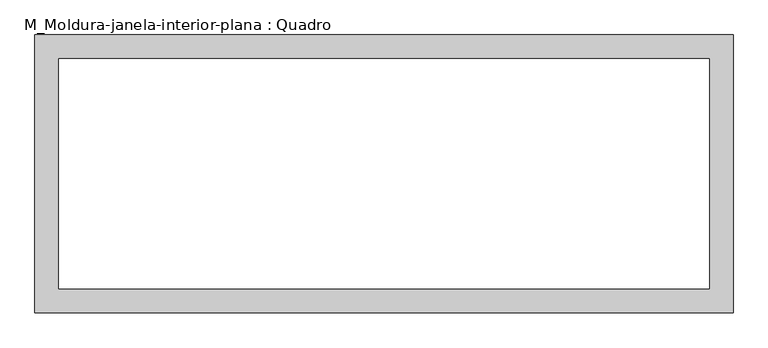
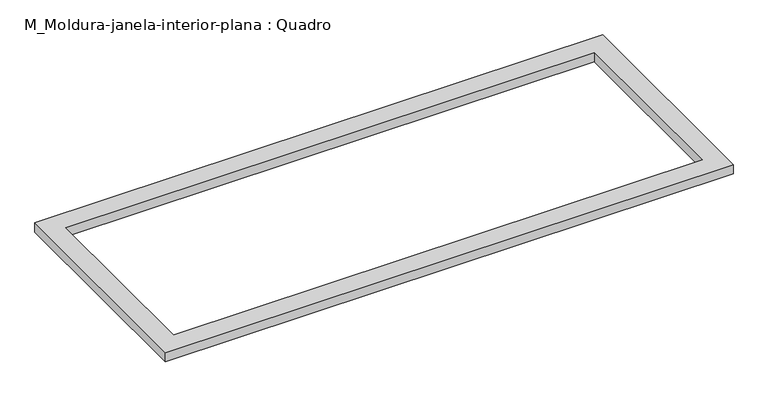
"""IFC4 building model written with IfcOpenShell, lengths in millimetres: proxy geometry, M_Moldura-janela-interior-plana : Quadro."""

from ifc_helpers import new_model, si_unit, origin, origin_with_axes, place, context, project, spatial, polyline, outline, extrude, source, transform, mapped, element, save


def m_moldura_janela_interior_plana_quadro_98eea960(model_context):
    return source(origin(), model_context, "Body", "SweptSolid", [
        extrude(outline(polyline([(872.3, 47.3), (872.3, -647.3), (-872.3, -647.3), (-872.3, 47.3), (872.3, 47.3)]), holes=[polyline([(812.3, -12.7), (-812.3, -12.7), (-812.3, -587.3), (812.3, -587.3), (812.3, -12.7)])]), origin_with_axes(), (0.0, 0.0, 1.0), 30.0),
    ])


if __name__ == "__main__":
    model = new_model("IFC4")
    model_context = context("Model", 3, world=origin())
    ifc_project = project(units=[si_unit("LENGTHUNIT", "METRE", prefix="MILLI")], contexts=[model_context])
    site = spatial("IfcSite", under=ifc_project)
    building = spatial("IfcBuilding", under=site)
    placement = place(None, origin())
    m_moldura_janela_interior_plana_quadro_shape = m_moldura_janela_interior_plana_quadro_98eea960(model_context)
    element("IfcBuildingElementProxy", 1, Name="M_Moldura-janela-interior-plana : Quadro", ObjectType="M_Moldura-janela-interior-plana : Quadro", at=placement, inside=building, context=model_context, shape_type="MappedRepresentation", body=[
        mapped(m_moldura_janela_interior_plana_quadro_shape, transform((0.0, 0.0, 0.0), x_axis=(1.0, 0.0, 0.0), y_axis=(0.0, 1.0, 0.0), z_axis=(0.0, 0.0, 1.0))),
    ])
    save(model, "model.ifc")
